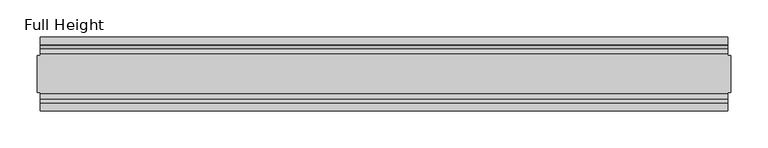
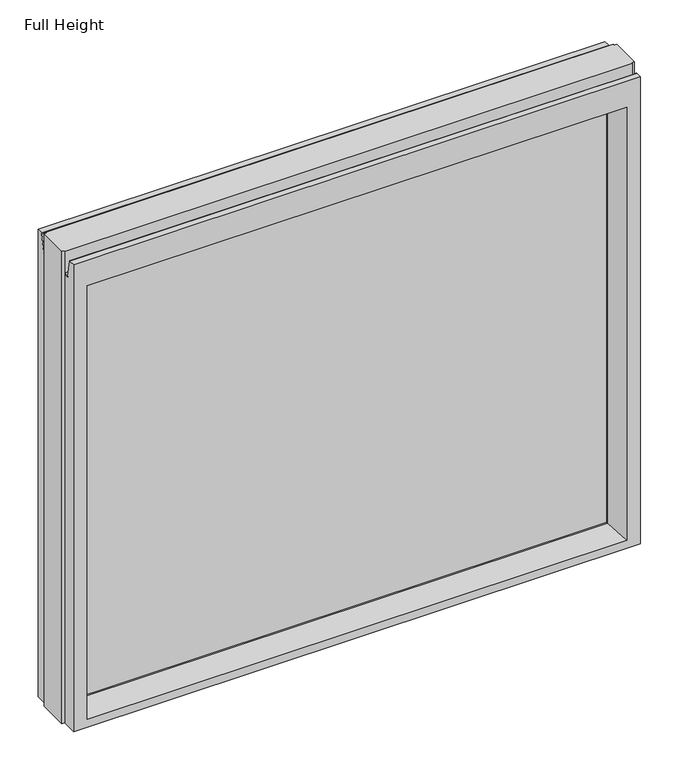
"""IFC4 building model written with IfcOpenShell, lengths in millimetres: plate geometry, Full Height."""

from ifc_helpers import new_model, si_unit, frame, origin, place, context, project, spatial, polyline, circle_curve, outline, extrude, source, transform, mapped, element, save
from ifc_brep_helpers import plane_surface, cylinder_surface, revolved_surface, advanced_brep


def full_height_e9f75191(model_context):
    return source(origin(), model_context, "Body", "SolidModel", [
        advanced_brep(
        [(463.0737966, -50.0, 0.0), (-463.0737966, -50.0, 0.0), (-463.0737966, -25.146, 0.0), (-467.6457966, -25.146, 0.0), (-467.6457966, 25.146, 0.0), (-463.0737966, 25.146, 0.0), (-463.0737966, 50.0, 0.0), (463.0737966, 50.0, 0.0), (463.0737966, 25.146, 0.0), (467.6457966, 25.146, 0.0), (467.6457966, -25.146, 0.0), (463.0737966, -25.146, 0.0), (467.6457966, -25.146, 815.34), (467.6457966, 25.146, 815.34), (463.0737966, 25.146, 815.34), (463.0737966, 26.67, 815.34), (-463.0737966, 26.67, 815.34), (-463.0737966, 25.146, 815.34), (-467.6457966, 25.146, 815.34), (-467.6457966, -25.146, 815.34), (-463.0737966, -25.146, 815.34), (-463.0737966, -26.67, 815.34), (463.0737966, -26.67, 815.34), (463.0737966, -25.146, 815.34), (-463.0737966, -26.67, 778.129), (463.0737966, -26.67, 778.129), (-463.0737966, 26.67, 778.129), (-463.0737966, 34.2321175, 777.4674004), (-463.0737966, 39.1867152, 805.5663199), (-463.0737966, 39.9371387, 806.196), (-463.0737966, 50.0, 806.196), (-463.0737966, -50.0, 806.196), (-463.0737966, -39.9371387, 806.196), (-463.0737966, -39.1867152, 805.5663199), (-463.0737966, -34.2321175, 777.4674004), (463.0737966, 50.0, 806.196), (-440.9757966, 50.0, 761.619), (-440.9757966, 50.0, 13.9954), (440.9757966, 50.0, 13.9954), (440.9757966, 50.0, 761.619), (463.0737966, -50.0, 806.196), (-440.9757966, -50.0, 13.9954), (-440.9757966, -50.0, 761.619), (440.9757966, -50.0, 761.619), (440.9757966, -50.0, 13.9954), (-435.0067966, 6.1006519, 755.65), (-435.0067966, 6.1006519, 18.3896), (-435.0067966, -6.1006519, 18.3896), (-435.0067966, -6.1006519, 755.65), (435.0067966, -6.1006519, 755.65), (435.0067966, -6.1006519, 18.3896), (435.0067966, 6.1006519, 755.65), (435.0067966, 6.1006519, 18.3896), (463.0737966, -34.2321175, 777.4674004), (463.0737966, -39.1867152, 805.5663199), (463.0737966, -39.9371387, 806.196), (463.0737966, 39.9371387, 806.196), (463.0737966, 39.1867152, 805.5663199), (463.0737966, 34.2321175, 777.4674004), (463.0737966, 26.67, 778.129)],
        [
            (0, 1),
            (1, 2),
            (2, 3),
            (3, 4),
            (4, 5),
            (5, 6),
            (6, 7),
            (7, 8),
            (8, 9),
            (9, 10),
            (10, 11),
            (11, 0),
            (12, 13),
            (13, 14),
            (14, 15),
            (15, 16),
            (16, 17),
            (17, 18),
            (18, 19),
            (19, 20),
            (20, 21),
            (21, 22),
            (22, 23),
            (23, 12),
            (10, 12),
            (23, 11),
            (13, 9),
            (8, 14),
            (18, 4),
            (3, 19),
            (17, 5),
            (2, 20),
            (24, 25),
            (25, 22),
            (21, 24),
            (16, 26),
            (26, 27, circle_curve(frame((-463.0737966, 30.48, 778.129), z_axis=(1.0, 0.0, 0.0), x_axis=(0.0, 1.0, 0.0)), 3.81)),
            (27, 28),
            (28, 29, circle_curve(frame((-463.0737966, 39.9371387, 805.434), z_axis=(-1.0, 0.0, 0.0), x_axis=(0.0, 1.0, 0.0)), 0.762)),
            (29, 30),
            (30, 6),
            (1, 31),
            (31, 32),
            (32, 33, circle_curve(frame((-463.0737966, -39.9371387, 805.434), z_axis=(-1.0, 0.0, 0.0), x_axis=(0.0, 1.0, 0.0)), 0.762)),
            (33, 34),
            (34, 24, circle_curve(frame((-463.0737966, -30.48, 778.129), z_axis=(1.0, 0.0, 0.0), x_axis=(0.0, 1.0, 0.0)), 3.81)),
            (30, 35),
            (35, 7),
            (36, 37),
            (37, 38),
            (38, 39),
            (39, 36),
            (0, 40),
            (40, 31),
            (41, 42),
            (42, 43),
            (43, 44),
            (44, 41),
            (36, 45),
            (45, 46),
            (46, 37),
            (41, 47),
            (47, 48),
            (48, 42),
            (43, 49),
            (49, 50),
            (50, 44),
            (51, 39),
            (38, 52),
            (52, 51),
            (25, 53, circle_curve(frame((463.0737966, -30.48, 778.129), z_axis=(-1.0, 0.0, 0.0), x_axis=(0.0, 1.0, 0.0)), 3.81)),
            (53, 54),
            (54, 55, circle_curve(frame((463.0737966, -39.9371387, 805.434), z_axis=(1.0, 0.0, 0.0), x_axis=(0.0, 1.0, 0.0)), 0.762)),
            (55, 40),
            (35, 56),
            (56, 57, circle_curve(frame((463.0737966, 39.9371387, 805.434), z_axis=(1.0, 0.0, 0.0), x_axis=(0.0, 1.0, 0.0)), 0.762)),
            (57, 58),
            (58, 59, circle_curve(frame((463.0737966, 30.48, 778.129), z_axis=(-1.0, 0.0, 0.0), x_axis=(0.0, 1.0, 0.0)), 3.81)),
            (59, 15),
            (55, 32),
            (29, 56),
            (59, 26),
            (51, 45),
            (33, 54),
            (53, 34),
            (28, 57),
            (27, 58),
            (46, 52),
            (50, 47),
            (48, 49),
            (51, 49),
            (48, 45),
            (46, 47),
            (50, 52),
        ],
        [
            plane_surface(frame((-463.0737966, 50.0, 0.0), z_axis=(0.0, 0.0, -1.0), x_axis=(0.0, -1.0, 0.0))),
            plane_surface(frame((463.0737966, -25.146, 815.34), z_axis=(0.0, 0.0, 1.0), x_axis=(-1.0, 0.0, 0.0))),
            plane_surface(frame((467.6457966, -25.146, 815.34), z_axis=(0.0, -1.0, 0.0), x_axis=(0.0, 0.0, -1.0))),
            plane_surface(frame((463.0737966, 25.146, 815.34), z_axis=(0.0, 1.0, 0.0), x_axis=(0.0, 0.0, -1.0))),
            plane_surface(frame((467.6457966, 25.146, 815.34), z_axis=(1.0, 0.0, 0.0), x_axis=(0.0, 0.0, -1.0))),
            plane_surface(frame((-467.6457966, -25.146, 815.34), z_axis=(-1.0, 0.0, 0.0), x_axis=(0.0, 0.0, -1.0))),
            plane_surface(frame((-467.6457966, 25.146, 815.34), z_axis=(0.0, 1.0, 0.0), x_axis=(0.0, 0.0, -1.0))),
            plane_surface(frame((-463.0737966, -25.146, 815.34), z_axis=(0.0, -1.0, 0.0), x_axis=(0.0, 0.0, -1.0))),
            plane_surface(frame((-463.0737966, -26.67, 815.34), z_axis=(0.0, -1.0, 0.0), x_axis=(1.0, 0.0, 0.0))),
            plane_surface(frame((-463.0737966, -50.0, 773.4046), z_axis=(-1.0, 0.0, 0.0), x_axis=(0.0, 0.0, -1.0))),
            plane_surface(frame((-463.0737966, 50.0, 773.4046), z_axis=(0.0, 1.0, 0.0), x_axis=(0.0, 0.0, -1.0))),
            plane_surface(frame((-440.9757966, -50.0, 773.4046), z_axis=(0.0, -1.0, 0.0), x_axis=(0.0, 0.0, -1.0))),
            plane_surface(frame((-440.9757966, 50.0, 773.4046), z_axis=(0.990882294353361, 0.13473039277393772, 0.0), x_axis=(0.0, 0.0, -1.0))),
            plane_surface(frame((-435.0067966, -6.1006519, 773.4046), z_axis=(0.990882294353361, -0.13473039277393709, 0.0), x_axis=(0.0, 0.0, -1.0))),
            plane_surface(frame((440.9757966, -50.0, 773.4046), z_axis=(-0.9908822943533626, -0.134730392773925, 0.0), x_axis=(0.0, 0.0, -1.0))),
            plane_surface(frame((435.0067966, 6.1006519, 773.4046), z_axis=(-0.9908822943533585, 0.13473039277395565, 0.0), x_axis=(0.0, 0.0, -1.0))),
            plane_surface(frame((463.0737966, 50.0, 773.4046), z_axis=(1.0, 0.0, 0.0), x_axis=(0.0, 0.0, -1.0))),
            plane_surface(frame((-463.0737966, -39.9371387, 806.196), z_axis=(0.0, 0.0, 1.0), x_axis=(1.0, 0.0, 0.0))),
            plane_surface(frame((-463.0737966, 50.0, 806.196), z_axis=(0.0, 0.0, 1.0), x_axis=(1.0, 0.0, 0.0))),
            plane_surface(frame((-463.0737966, 26.67, 778.129), z_axis=(0.0, 1.0, 0.0), x_axis=(1.0, 0.0, 0.0))),
            plane_surface(frame((-463.0737966, 6.1006519, 755.65), z_axis=(0.0, 0.13473039277393184, -0.9908822943533617), x_axis=(1.0, 0.0, 0.0))),
            plane_surface(frame((-463.0737966, -34.2321175, 777.4674004), z_axis=(0.0, 0.9848077530122084, 0.17364817766692892), x_axis=(1.0, 0.0, 0.0))),
            revolved_surface(polyline([(463.0737966, -26.67, 778.129), (-463.0737966, -26.67, 778.129)]), (463.0737966, -30.48, 778.129), (1.0, 0.0, 0.0)),
            cylinder_surface(frame((463.0737966, -39.9371387, 805.434), z_axis=(-1.0, 0.0, 0.0), x_axis=(0.0, 1.0, 0.0)), 0.762),
            cylinder_surface(frame((463.0737966, 39.9371387, 805.434), z_axis=(-1.0, 0.0, 0.0), x_axis=(0.0, 1.0, 0.0)), 0.762),
            plane_surface(frame((-463.0737966, 39.1867152, 805.5663199), z_axis=(0.0, -0.9848077530122005, 0.17364817766697357), x_axis=(1.0, 0.0, 0.0))),
            revolved_surface(polyline([(463.0737966, 34.29, 778.129), (-463.0737966, 34.29, 778.129)]), (463.0737966, 30.48, 778.129), (1.0, 0.0, 0.0)),
            plane_surface(frame((-463.0737966, 50.0, 13.9954), z_axis=(0.0, 0.09959943661133767, 0.9950276138010965), x_axis=(1.0, 0.0, 0.0))),
            plane_surface(frame((-463.0737966, -6.1006519, 18.3896), z_axis=(0.0, -0.09959943661137731, 0.9950276138010926), x_axis=(1.0, 0.0, 0.0))),
            plane_surface(frame((-463.0737966, -50.0, 761.619), z_axis=(0.0, -0.13473039277391685, -0.9908822943533637), x_axis=(1.0, 0.0, 0.0))),
            plane_surface(frame((-463.0737966, -6.1006519, 755.65), z_axis=(0.0, 0.0, -1.0), x_axis=(1.0, 0.0, 0.0))),
            plane_surface(frame((-463.0737966, 6.1006519, 18.3896), z_axis=(0.0, 0.0, 1.0), x_axis=(1.0, 0.0, 0.0))),
            plane_surface(frame((-435.0067966, 6.1006519, 773.4046), z_axis=(1.0, 0.0, 0.0), x_axis=(0.0, 0.0, -1.0))),
            plane_surface(frame((435.0067966, -6.1006519, 773.4046), z_axis=(-1.0, 0.0, 0.0), x_axis=(0.0, 0.0, -1.0))),
        ],
        [
            (0, [[1, 2, 3, 4, 5, 6, 7, 8, 9, 10, 11, 12]]),
            (1, [[13, 14, 15, 16, 17, 18, 19, 20, 21, 22, 23, 24]]),
            (2, [[-11, 25, -24, 26]]),
            (3, [[27, -9, 28, -14]]),
            (4, [[-25, -10, -27, -13]]),
            (5, [[29, -4, 30, -19]]),
            (6, [[-5, -29, -18, 31]]),
            (7, [[-30, -3, 32, -20]]),
            (8, [[33, 34, -22, 35]]),
            (9, [[-31, -17, 36, 37, 38, 39, 40, 41, -6]]),
            (9, [[42, 43, 44, 45, 46, -35, -21, -32, -2]]),
            (10, [[47, 48, -7, -41], [49, 50, 51, 52]]),
            (11, [[53, 54, -42, -1], [55, 56, 57, 58]]),
            (12, [[59, 60, 61, -49]]),
            (13, [[62, 63, 64, -55]]),
            (14, [[65, 66, 67, -57]]),
            (15, [[68, -51, 69, 70]]),
            (16, [[-26, -23, -34, 71, 72, 73, 74, -53, -12]]),
            (16, [[75, 76, 77, 78, 79, -15, -28, -8, -48]]),
            (17, [[-54, -74, 80, -43]]),
            (18, [[81, -75, -47, -40]]),
            (19, [[-16, -79, 82, -36]]),
            (20, [[-68, 83, -59, -52]]),
            (21, [[84, -72, 85, -45]]),
            (22, [[-85, -71, -33, -46]]),
            (23, [[-80, -73, -84, -44]]),
            (24, [[86, -76, -81, -39]]),
            (25, [[87, -77, -86, -38]]),
            (26, [[-82, -78, -87, -37]]),
            (27, [[-61, 88, -69, -50]]),
            (28, [[-67, 89, -62, -58]]),
            (29, [[-64, 90, -65, -56]]),
            (30, [[91, -90, 92, -83]]),
            (31, [[93, -89, 94, -88]]),
            (32, [[-93, -60, -92, -63]]),
            (33, [[-94, -66, -91, -70]]),
        ],
    ),
        extrude(outline(polyline([(-435.0067966, -3.175), (-435.0067966, 3.175), (435.0067966, 3.175), (435.0067966, -3.175), (-435.0067966, -3.175)])), frame((0.0, 0.0, 18.3896), z_axis=(0.0, 0.0, 1.0), x_axis=(1.0, 0.0, 0.0)), (0.0, 0.0, 1.0), 737.2604),
    ])


if __name__ == "__main__":
    model = new_model("IFC4")
    model_context = context("Model", 3, world=origin())
    ifc_project = project(units=[si_unit("LENGTHUNIT", "METRE", prefix="MILLI")], contexts=[model_context])
    site = spatial("IfcSite", under=ifc_project)
    building = spatial("IfcBuilding", under=site)
    placement = place(None, origin())
    full_height_shape = full_height_e9f75191(model_context)
    element("IfcPlate", 1, ObjectType="Full Height", at=placement, inside=building, context=model_context, shape_type="MappedRepresentation", body=[
        mapped(full_height_shape, transform((0.0, 0.0, 0.0), x_axis=(1.0, 0.0, 0.0), y_axis=(0.0, 1.0, 0.0), z_axis=(0.0, 0.0, 1.0))),
    ])
    save(model, "model.ifc")
